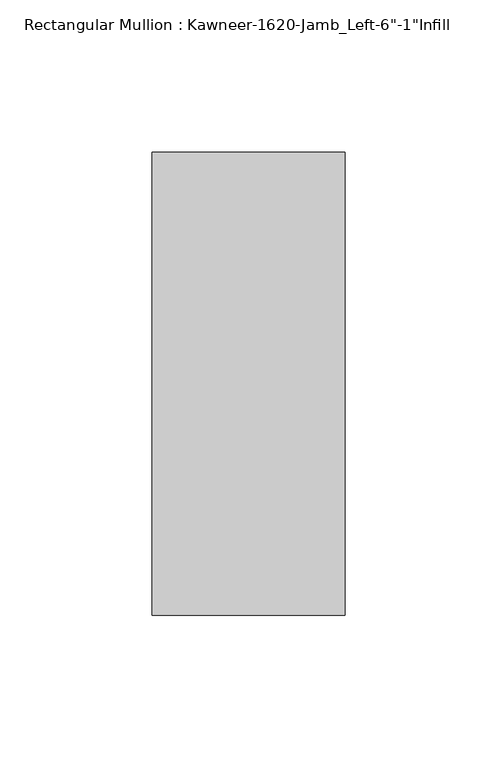
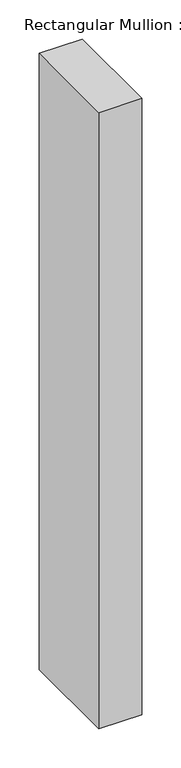
"""IFC4 building model written with IfcOpenShell, lengths in millimetres: member geometry."""

from ifc_helpers import new_model, si_unit, frame, origin, place, context, project, spatial, polyline, outline, extrude, source, transform, mapped, element, save


def member_d66dccb1(model_context):
    return source(origin(), model_context, "Body", "SweptSolid", [
        extrude(outline(polyline([(-63.5, 38.1), (0.0, 38.1), (0.0, -114.3), (-63.5, -114.3), (-63.5, 38.1)])), frame((0.0, 0.0, -962.025), z_axis=(0.0, 0.0, 1.0), x_axis=(1.0, 0.0, 0.0)), (0.0, 0.0, 1.0), 962.025),
    ])


if __name__ == "__main__":
    model = new_model("IFC4")
    model_context = context("Model", 3, world=origin())
    ifc_project = project(units=[si_unit("LENGTHUNIT", "METRE", prefix="MILLI")], contexts=[model_context])
    site = spatial("IfcSite", under=ifc_project)
    building = spatial("IfcBuilding", under=site)
    placement = place(None, origin())
    member_shape = member_d66dccb1(model_context)
    element("IfcMember", 1, ObjectType="Rectangular Mullion : Kawneer-1620-Jamb_Left-6\"-1\"Infill", at=placement, inside=building, context=model_context, shape_type="MappedRepresentation", body=[
        mapped(member_shape, transform((0.0, 0.0, 0.0), x_axis=(1.0, 0.0, 0.0), y_axis=(0.0, 1.0, 0.0), z_axis=(0.0, 0.0, 1.0))),
    ])
    save(model, "model.ifc")
